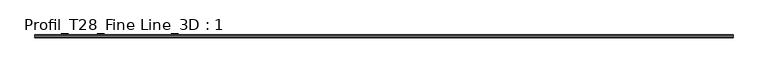
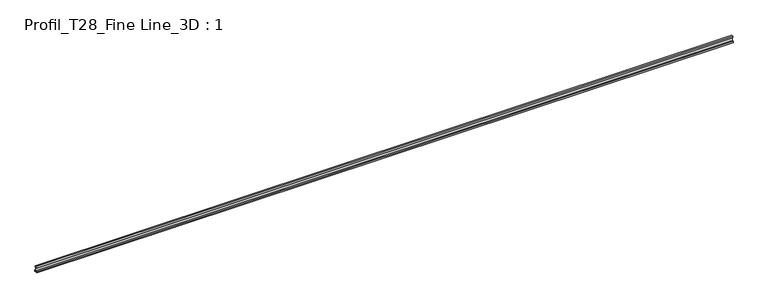
"""IFC4 building model written with IfcOpenShell, lengths in millimetres: proxy geometry, Profil_T28_Fine Line_3D : 1."""

from ifc_helpers import new_model, si_unit, frame, origin, place, context, project, spatial, polyline, outline, extrude, source, transform, mapped, element, save


def profil_t28_fine_line_3d_1_59ae0fb1(model_context):
    return source(origin(), model_context, "Body", "SweptSolid", [
        extrude(outline(polyline([(6.5, 0.0), (-6.5, 0.0), (-6.5, -4.3), (-3.75, -4.3), (-3.75, -5.3), (-7.5, -5.3), (-7.5, 1.0), (-0.6, 1.0), (-0.6, 18.0), (-3.0, 18.0), (-3.0, 28.0), (3.0, 28.0), (3.0, 18.0), (0.6, 18.0), (0.6, 1.0), (7.5, 1.0), (7.5, -5.3), (3.75, -5.3), (3.75, -4.3), (6.5, -4.3), (6.5, 0.0)])), frame((0.0, 0.0, 0.0), z_axis=(1.0, 0.0, 0.0), x_axis=(0.0, 1.0, 0.0)), (0.0, 0.0, 1.0), 3660.0),
    ])


if __name__ == "__main__":
    model = new_model("IFC4")
    model_context = context("Model", 3, world=origin())
    ifc_project = project(units=[si_unit("LENGTHUNIT", "METRE", prefix="MILLI")], contexts=[model_context])
    site = spatial("IfcSite", under=ifc_project)
    building = spatial("IfcBuilding", under=site)
    placement = place(None, origin())
    profil_t28_fine_line_3d_1_shape = profil_t28_fine_line_3d_1_59ae0fb1(model_context)
    element("IfcBuildingElementProxy", 1, Name="Profil_T28_Fine Line_3D : 1", ObjectType="Profil_T28_Fine Line_3D : 1", at=placement, inside=building, context=model_context, shape_type="MappedRepresentation", body=[
        mapped(profil_t28_fine_line_3d_1_shape, transform((0.0, 0.0, 0.0), x_axis=(1.0, 0.0, 0.0), y_axis=(0.0, 1.0, 0.0), z_axis=(0.0, 0.0, 1.0))),
    ])
    save(model, "model.ifc")
